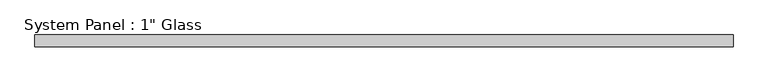
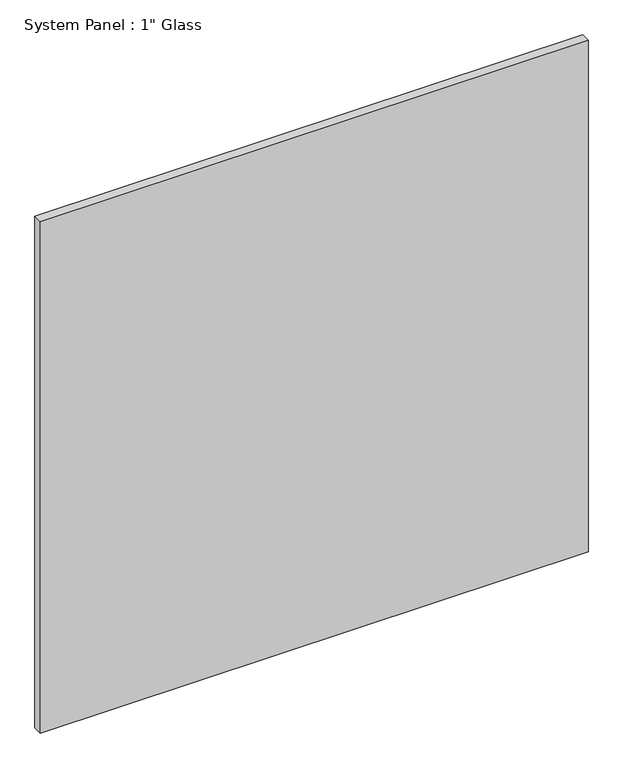
"""IFC4 building model written with IfcOpenShell, lengths in millimetres: plate geometry."""

from ifc_helpers import new_model, si_unit, origin, origin_with_axes, place, context, project, spatial, polyline, outline, extrude, source, transform, mapped, element, save


def plate_7946ba87(model_context):
    return source(origin(), model_context, "Body", "SweptSolid", [
        extrude(outline(polyline([(736.6, -12.7), (-736.6, -12.7), (-736.6, 12.7), (736.6, 12.7), (736.6, -12.7)])), origin_with_axes(), (0.0, 0.0, 1.0), 1454.15),
    ])


if __name__ == "__main__":
    model = new_model("IFC4")
    model_context = context("Model", 3, world=origin())
    ifc_project = project(units=[si_unit("LENGTHUNIT", "METRE", prefix="MILLI")], contexts=[model_context])
    site = spatial("IfcSite", under=ifc_project)
    building = spatial("IfcBuilding", under=site)
    placement = place(None, origin())
    plate_shape = plate_7946ba87(model_context)
    element("IfcPlate", 1, ObjectType="System Panel : 1\" Glass", at=placement, inside=building, context=model_context, shape_type="MappedRepresentation", body=[
        mapped(plate_shape, transform((0.0, 0.0, 0.0), x_axis=(1.0, 0.0, 0.0), y_axis=(0.0, 1.0, 0.0), z_axis=(0.0, 0.0, 1.0))),
    ])
    save(model, "model.ifc")
